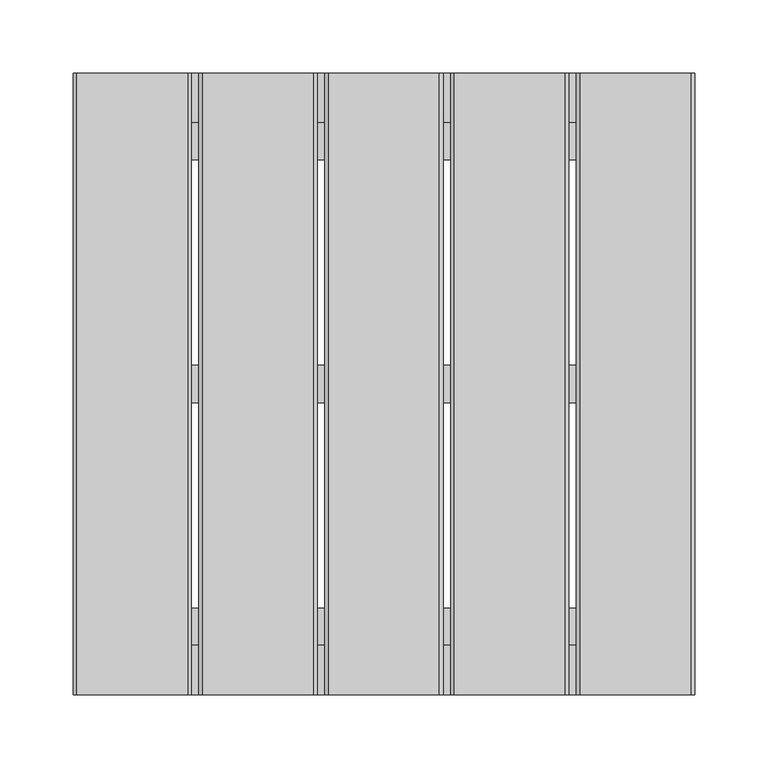
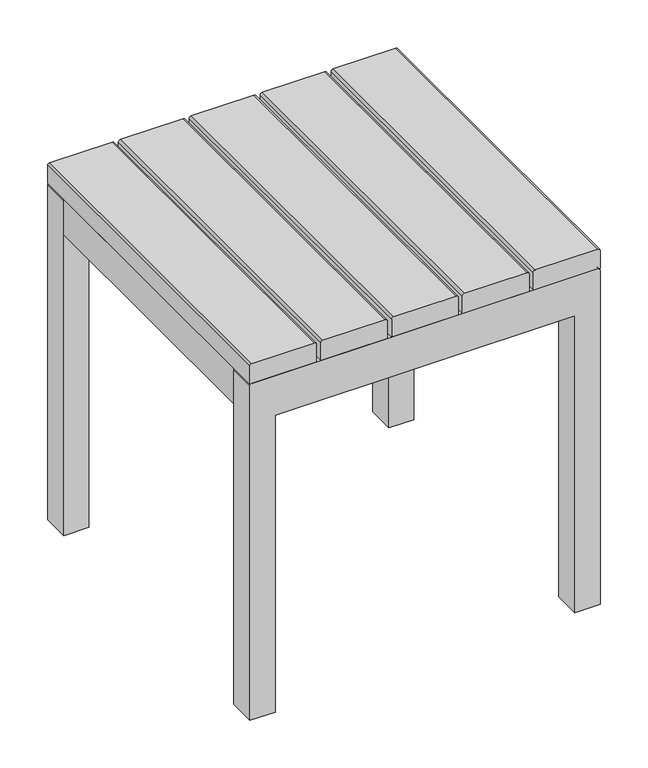
"""IFC4 building model written with IfcOpenShell, lengths in millimetres: furniture geometry."""

from ifc_helpers import new_model, si_unit, point, frame, frame_2d, origin, place, context, project, spatial, polyline, circle_curve, trimmed, segment, composite_curve, outline, extrude, source, transform, mapped, element, save


def furniture_a2f14f63(model_context):
    return source(origin(), model_context, "Body", "SweptSolid", [
        extrude(outline(composite_curve([segment(polyline([(0.0, -182.028742), (381.1936292, -182.028742), (381.1936292, 182.028742), (0.0, 182.028742), (0.0, 212.725), (429.2203125, 212.725)]), True, "CONTINUOUS"), segment(trimmed(circle_curve(frame_2d((429.2203125, 210.1453125)), 2.5796875), [point((429.2203125, 212.725))], [point((431.8, 210.1453125))], False, "CARTESIAN"), True, "CONTINUOUS"), segment(polyline([(431.8, 210.1453125), (431.8, -210.1453125)]), True, "CONTINUOUS"), segment(trimmed(circle_curve(frame_2d((429.2203125, -210.1453125)), 2.5796875), [point((431.8, -210.1453125))], [point((429.2203125, -212.725))], False, "CARTESIAN"), True, "CONTINUOUS"), segment(polyline([(429.2203125, -212.725), (0.0, -212.725), (0.0, -182.028742)]), True, "CONTINUOUS")], self_intersect=False)), frame((0.0, -208.6950592, 0.0), z_axis=(0.0, 1.0, 0.0), x_axis=(0.0, 0.0, 1.0)), (0.0, 0.0, 1.0), 33.8335937),
        extrude(outline(composite_curve([segment(polyline([(431.8, -212.725), (431.8, -131.6989925), (454.6138994, -131.6989925)]), True, "CONTINUOUS"), segment(trimmed(circle_curve(frame_2d((454.6138994, -134.2850931)), 2.5861006), [point((454.6138994, -131.6989925))], [point((457.2, -134.2850931))], False, "CARTESIAN"), True, "CONTINUOUS"), segment(polyline([(457.2, -134.2850931), (457.2, -210.1914251)]), True, "CONTINUOUS"), segment(trimmed(circle_curve(frame_2d((454.6664251, -210.1914251)), 2.5335749), [point((457.2, -210.1914251))], [point((454.6664251, -212.725))], False, "CARTESIAN"), True, "CONTINUOUS"), segment(polyline([(454.6664251, -212.725), (431.8, -212.725)]), True, "CONTINUOUS")], self_intersect=False)), frame((0.0, -208.6950592, 0.0), z_axis=(0.0, 1.0, 0.0), x_axis=(0.0, 0.0, 1.0)), (0.0, 0.0, 1.0), 425.45),
        extrude(outline(composite_curve([segment(polyline([(431.8, 212.725), (454.6664251, 212.725)]), True, "CONTINUOUS"), segment(trimmed(circle_curve(frame_2d((454.6664251, 210.1914251)), 2.5335749), [point((454.6664251, 212.725))], [point((457.2, 210.1914251))], False, "CARTESIAN"), True, "CONTINUOUS"), segment(polyline([(457.2, 210.1914251), (457.2, 134.2850931)]), True, "CONTINUOUS"), segment(trimmed(circle_curve(frame_2d((454.6138994, 134.2850931)), 2.5861006), [point((457.2, 134.2850931))], [point((454.6138994, 131.6989925))], False, "CARTESIAN"), True, "CONTINUOUS"), segment(polyline([(454.6138994, 131.6989925), (431.8, 131.6989925), (431.8, 212.725)]), True, "CONTINUOUS")], self_intersect=False)), frame((0.0, -208.6950592, 0.0), z_axis=(0.0, 1.0, 0.0), x_axis=(0.0, 0.0, 1.0)), (0.0, 0.0, 1.0), 425.45),
        extrude(outline(composite_curve([segment(polyline([(431.8, 40.5130038), (454.6664251, 40.5130038)]), True, "CONTINUOUS"), segment(trimmed(circle_curve(frame_2d((454.6664251, 37.9794289)), 2.5335749), [point((454.6664251, 40.5130038))], [point((457.2, 37.9794289))], False, "CARTESIAN"), True, "CONTINUOUS"), segment(polyline([(457.2, 37.9794289), (457.2, -37.9269032)]), True, "CONTINUOUS"), segment(trimmed(circle_curve(frame_2d((454.6138994, -37.9269032)), 2.5861006), [point((457.2, -37.9269032))], [point((454.6138994, -40.5130038))], False, "CARTESIAN"), True, "CONTINUOUS"), segment(polyline([(454.6138994, -40.5130038), (431.8, -40.5130038), (431.8, 40.5130038)]), True, "CONTINUOUS")], self_intersect=False)), frame((0.0, -208.6950592, 0.0), z_axis=(0.0, 1.0, 0.0), x_axis=(0.0, 0.0, 1.0)), (0.0, 0.0, 1.0), 425.45),
        extrude(outline(composite_curve([segment(polyline([(431.8, 126.6190064), (454.6664251, 126.6190064)]), True, "CONTINUOUS"), segment(trimmed(circle_curve(frame_2d((454.6664251, 124.0854315)), 2.5335749), [point((454.6664251, 126.6190064))], [point((457.2, 124.0854315))], False, "CARTESIAN"), True, "CONTINUOUS"), segment(polyline([(457.2, 124.0854315), (457.2, 48.1790995)]), True, "CONTINUOUS"), segment(trimmed(circle_curve(frame_2d((454.6138994, 48.1790995)), 2.5861006), [point((457.2, 48.1790995))], [point((454.6138994, 45.5929989))], False, "CARTESIAN"), True, "CONTINUOUS"), segment(polyline([(454.6138994, 45.5929989), (431.8, 45.5929989), (431.8, 126.6190064)]), True, "CONTINUOUS")], self_intersect=False)), frame((0.0, -208.6950592, 0.0), z_axis=(0.0, 1.0, 0.0), x_axis=(0.0, 0.0, 1.0)), (0.0, 0.0, 1.0), 425.45),
        extrude(outline(composite_curve([segment(polyline([(431.8, -126.6190064), (431.8, -45.5929989), (454.6138994, -45.5929989)]), True, "CONTINUOUS"), segment(trimmed(circle_curve(frame_2d((454.6138994, -48.1790995)), 2.5861006), [point((454.6138994, -45.5929989))], [point((457.2, -48.1790995))], False, "CARTESIAN"), True, "CONTINUOUS"), segment(polyline([(457.2, -48.1790995), (457.2, -124.0854315)]), True, "CONTINUOUS"), segment(trimmed(circle_curve(frame_2d((454.6664251, -124.0854315)), 2.5335749), [point((457.2, -124.0854315))], [point((454.6664251, -126.6190064))], False, "CARTESIAN"), True, "CONTINUOUS"), segment(polyline([(454.6664251, -126.6190064), (431.8, -126.6190064)]), True, "CONTINUOUS")], self_intersect=False)), frame((0.0, -208.6950592, 0.0), z_axis=(0.0, 1.0, 0.0), x_axis=(0.0, 0.0, 1.0)), (0.0, 0.0, 1.0), 425.45),
        extrude(outline(polyline([(161.9249879, 157.521341), (-161.9249879, 157.521341), (-161.9249879, 182.921347), (161.9249879, 182.921347), (161.9249879, 157.521341)])), frame((0.0, 0.0, 406.4), z_axis=(0.0, 0.0, 1.0), x_axis=(1.0, 0.0, 0.0)), (0.0, 0.0, 1.0), 25.4),
        extrude(outline(polyline([(161.9249879, -174.8614655), (-161.9249879, -174.8614655), (-161.9249879, -149.4614594), (161.9249879, -149.4614594), (161.9249879, -174.8614655)])), frame((0.0, 0.0, 406.4), z_axis=(0.0, 0.0, 1.0), x_axis=(1.0, 0.0, 0.0)), (0.0, 0.0, 1.0), 25.4),
        extrude(outline(polyline([(161.9249879, -8.6700622), (-161.9249879, -8.6700622), (-161.9249879, 16.7299438), (161.9249879, 16.7299438), (161.9249879, -8.6700622)])), frame((0.0, 0.0, 406.4), z_axis=(0.0, 0.0, 1.0), x_axis=(1.0, 0.0, 0.0)), (0.0, 0.0, 1.0), 25.4),
        extrude(outline(polyline([(-161.9249879, 182.921347), (-161.9249879, -174.8614655), (-212.725, -174.8614655), (-212.725, 182.921347), (-161.9249879, 182.921347)])), frame((0.0, 0.0, 386.334001), z_axis=(0.0, 0.0, 1.0), x_axis=(1.0, 0.0, 0.0)), (0.0, 0.0, 1.0), 45.465999),
        extrude(outline(polyline([(212.725, 182.921347), (212.725, -174.8614655), (161.9249879, -174.8614655), (161.9249879, 182.921347), (212.725, 182.921347)])), frame((0.0, 0.0, 386.334001), z_axis=(0.0, 0.0, 1.0), x_axis=(1.0, 0.0, 0.0)), (0.0, 0.0, 1.0), 45.465999),
        extrude(outline(composite_curve([segment(polyline([(0.0, -182.028742), (381.1936292, -182.028742), (381.1936292, 182.028742), (0.0, 182.028742), (0.0, 212.725), (429.2203125, 212.725)]), True, "CONTINUOUS"), segment(trimmed(circle_curve(frame_2d((429.2203125, 210.1453125)), 2.5796875), [point((429.2203125, 212.725))], [point((431.8, 210.1453125))], False, "CARTESIAN"), True, "CONTINUOUS"), segment(polyline([(431.8, 210.1453125), (431.8, -210.1453125)]), True, "CONTINUOUS"), segment(trimmed(circle_curve(frame_2d((429.2203125, -210.1453125)), 2.5796875), [point((431.8, -210.1453125))], [point((429.2203125, -212.725))], False, "CARTESIAN"), True, "CONTINUOUS"), segment(polyline([(429.2203125, -212.725), (0.0, -212.725), (0.0, -182.028742)]), True, "CONTINUOUS")], self_intersect=False)), frame((0.0, 182.921347, 0.0), z_axis=(0.0, 1.0, 0.0), x_axis=(0.0, 0.0, 1.0)), (0.0, 0.0, 1.0), 33.8335937),
    ])


if __name__ == "__main__":
    model = new_model("IFC4")
    model_context = context("Model", 3, world=origin())
    ifc_project = project(units=[si_unit("LENGTHUNIT", "METRE", prefix="MILLI")], contexts=[model_context])
    site = spatial("IfcSite", under=ifc_project)
    building = spatial("IfcBuilding", under=site)
    placement = place(None, origin())
    furniture_shape = furniture_a2f14f63(model_context)
    element("IfcFurniture", 1, at=placement, inside=building, context=model_context, shape_type="MappedRepresentation", body=[
        mapped(furniture_shape, transform((0.0, 0.0, 0.0), x_axis=(1.0, 0.0, 0.0), y_axis=(0.0, 1.0, 0.0), z_axis=(0.0, 0.0, 1.0))),
    ])
    save(model, "model.ifc")
